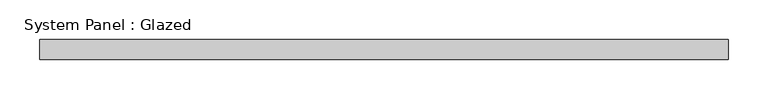
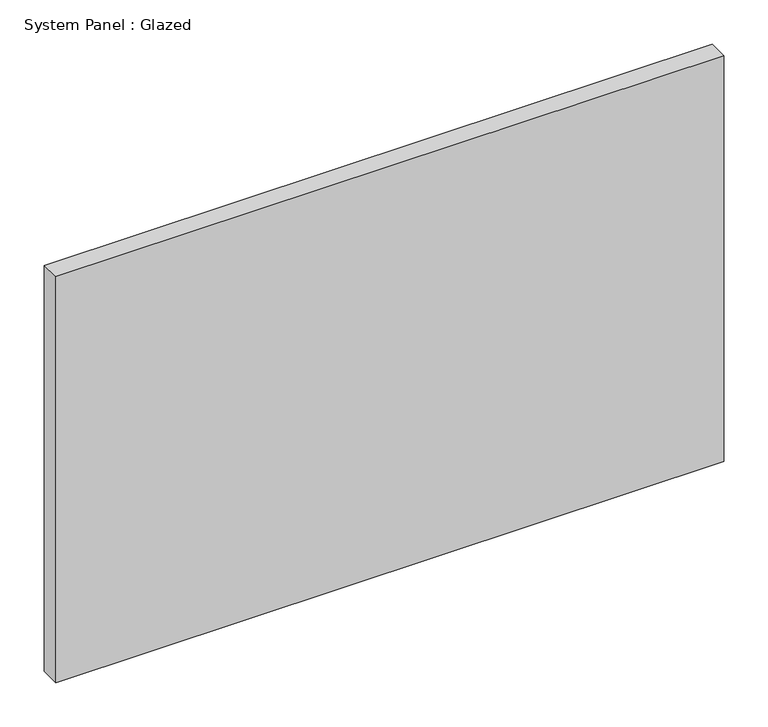
"""IFC4 building model written with IfcOpenShell, lengths in millimetres: plate geometry, System Panel : Glazed."""

import ifcopenshell
import ifcopenshell.guid

model = None  # the IFC model being written
_history = None  # IfcOwnerHistory: only IFC2X3 demands one
_inside = {}  # id of a spatial element -> (the spatial element, [elements in it])
_under = {}  # id of a project, library or spatial element -> (it, [spatial elements below it])
_declared = {}  # id of a project -> (the project, [libraries it declares])
_typed = {}  # id of a type object -> (the type object, [elements of that type])
_made_of = {}  # id of a material, layer set ... -> (it, [elements and type objects made of it])


def new_model(schema):
    """Start an empty IFC model of exactly this schema.

    Asked for "IFC4X3", IfcOpenShell would pick the latest addendum, in which some entities
    have other attributes; the version numbers below select the first issue.
    IFC2X3 requires an IfcOwnerHistory on every rooted entity: one is made here for all.
    """
    global model, _history
    if schema == "IFC4X3":
        model = ifcopenshell.file(schema_version=(4, 3, 0, 0))
    else:
        model = ifcopenshell.file(schema=schema)
    _inside.clear()
    _under.clear()
    _declared.clear()
    _typed.clear()
    _made_of.clear()
    _history = None
    if model.schema == "IFC2X3":
        org = make("IfcOrganization", Name="unknown")
        user = make(
            "IfcPersonAndOrganization",
            ThePerson=make("IfcPerson", FamilyName="unknown"),
            TheOrganization=org,
        )
        app = make(
            "IfcApplication",
            ApplicationDeveloper=org,
            Version="unknown",
            ApplicationFullName="unknown",
            ApplicationIdentifier="unknown",
        )
        _history = make(
            "IfcOwnerHistory",
            OwningUser=user,
            OwningApplication=app,
            ChangeAction="ADDED",
            CreationDate=0,
        )
    return model


def make(cls, **values):
    """One entity of the class cls with the attributes given. An attribute that is None is left unset."""
    return model.create_entity(
        cls, **{name: value for name, value in values.items() if value is not None}
    )


def rooted(cls, **values):
    """An entity with a GlobalId (a new one), such as an element, a storey or a relation."""
    return make(cls, GlobalId=ifcopenshell.guid.new(), OwnerHistory=_history, **values)


def si_unit(unit_type, name, prefix=None):
    """IfcSIUnit, for example si_unit("LENGTHUNIT", "METRE", prefix="MILLI")."""
    return make("IfcSIUnit", UnitType=unit_type, Prefix=prefix, Name=name)


def assignment(units):
    """IfcUnitAssignment: the units of a project."""
    return None if units is None else make("IfcUnitAssignment", Units=units)


def point(xyz):
    """IfcCartesianPoint."""
    return None if xyz is None else make("IfcCartesianPoint", Coordinates=xyz)


def direction(xyz):
    """IfcDirection."""
    return None if xyz is None else make("IfcDirection", DirectionRatios=xyz)


def frame(location, z_axis=None, x_axis=None):
    """IfcAxis2Placement3D, a coordinate frame: its origin and axes. An axis left out is left unset."""
    return make(
        "IfcAxis2Placement3D",
        Location=point(location),
        Axis=direction(z_axis),
        RefDirection=direction(x_axis),
    )


def origin():
    """The frame at (0, 0, 0) with its axes left unset."""
    return frame((0.0, 0.0, 0.0))


def origin_with_axes():
    """The frame at (0, 0, 0) with the z axis (0, 0, 1) and the x axis (1, 0, 0) written out."""
    return frame((0.0, 0.0, 0.0), z_axis=(0.0, 0.0, 1.0), x_axis=(1.0, 0.0, 0.0))


def place(relative_to, where):
    """IfcLocalPlacement: puts the frame where relative to a parent placement (None: the world)."""
    return make(
        "IfcLocalPlacement", PlacementRelTo=relative_to, RelativePlacement=where
    )


def context(
    kind, dimensions, precision=None, world=None, true_north=None, identifier=None
):
    """IfcGeometricRepresentationContext, for example the 3D "Model" context."""
    return make(
        "IfcGeometricRepresentationContext",
        ContextIdentifier=identifier,
        ContextType=kind,
        CoordinateSpaceDimension=dimensions,
        Precision=precision,
        WorldCoordinateSystem=world,
        TrueNorth=true_north,
    )


def project(units=None, contexts=None):
    """IfcProject with its units and contexts."""
    return rooted(
        "IfcProject",
        Name="project",
        RepresentationContexts=contexts,
        UnitsInContext=assignment(units),
    )


def spatial(cls, under=None, at=None, **own):
    """A site, building, storey or space (cls), placed at a placement, below another one or the project."""
    s = rooted(cls, ObjectPlacement=at, **own)
    if under is not None:
        _under.setdefault(under.id(), (under, []))[1].append(s)
    return s


def polyline(points):
    """IfcPolyline through the points."""
    return make("IfcPolyline", Points=[point(p) for p in points])


def outline(outer, holes=None, kind="AREA"):
    """IfcArbitraryClosedProfileDef: a profile drawn as a closed curve; with holes, ...WithVoids."""
    if holes is None:
        return make("IfcArbitraryClosedProfileDef", ProfileType=kind, OuterCurve=outer)
    return make(
        "IfcArbitraryProfileDefWithVoids",
        ProfileType=kind,
        OuterCurve=outer,
        InnerCurves=holes,
    )


def extrude(swept, where, along, depth):
    """IfcExtrudedAreaSolid: the profile swept, set in the frame where, extruded along a direction by depth."""
    return make(
        "IfcExtrudedAreaSolid",
        SweptArea=swept,
        Position=where,
        ExtrudedDirection=direction(along),
        Depth=depth,
    )


def shape(context_of_items, identifier, shape_type, items):
    """IfcShapeRepresentation: the items that make up one representation, for example the "Body"."""
    return make(
        "IfcShapeRepresentation",
        ContextOfItems=context_of_items,
        RepresentationIdentifier=identifier,
        RepresentationType=shape_type,
        Items=items,
    )


def source(mapping_origin, context_of_items, identifier, shape_type, items):
    """IfcRepresentationMap: a shape defined once, which mapped items show again and again."""
    return make(
        "IfcRepresentationMap",
        MappingOrigin=mapping_origin,
        MappedRepresentation=shape(context_of_items, identifier, shape_type, items),
    )


def transform(
    local_origin,
    x_axis=None,
    y_axis=None,
    z_axis=None,
    scale=None,
    scale2=None,
    scale3=None,
    uniform=True,
):
    """IfcCartesianTransformationOperator3D, or its non-uniform kind. x_axis, y_axis, z_axis: its Axis1, 2, 3."""
    if uniform:
        return make(
            "IfcCartesianTransformationOperator3D",
            Axis1=direction(x_axis),
            Axis2=direction(y_axis),
            LocalOrigin=point(local_origin),
            Scale=scale,
            Axis3=direction(z_axis),
        )
    return make(
        "IfcCartesianTransformationOperator3DnonUniform",
        Axis1=direction(x_axis),
        Axis2=direction(y_axis),
        LocalOrigin=point(local_origin),
        Scale=scale,
        Axis3=direction(z_axis),
        Scale2=scale2,
        Scale3=scale3,
    )


def mapped(mapping_source, mapping_target):
    """IfcMappedItem: shows the shape of a source again, moved by a transform."""
    return make(
        "IfcMappedItem", MappingSource=mapping_source, MappingTarget=mapping_target
    )


def made_of(thing, what):
    """Note that an element or type object is made of a material, layer set ...; save() writes the relation."""
    if what is not None:
        _made_of.setdefault(what.id(), (what, []))[1].append(thing)
    return thing


def element(
    cls,
    number,
    at=None,
    inside=None,
    cuts=None,
    type_object=None,
    material=None,
    context=None,
    identifier="Body",
    shape_type=None,
    held_by="IfcProductDefinitionShape",
    body=None,
    shapes=None,
    **own,
):
    """One element of the class cls, such as IfcWall. Its Tag is "e" and its number.

    at: its placement. inside: the storey or other place that contains it. cuts: it is an
    opening in that element (IfcRelVoidsElement). A single representation is given by context,
    identifier, shape_type and body (its items); several are given by shapes. held_by: the class
    of the entity that holds the representations. save() writes the other relations.
    """
    e = rooted(cls, Tag="e%d" % number, ObjectPlacement=at, **own)
    if body is not None:
        shapes = [shape(context, identifier, shape_type, body)]
    if shapes is not None:
        e.Representation = make(held_by, Representations=shapes)
    if inside is not None:
        _inside.setdefault(inside.id(), (inside, []))[1].append(e)
    if cuts is not None:
        rooted(
            "IfcRelVoidsElement", RelatingBuildingElement=cuts, RelatedOpeningElement=e
        )
    if type_object is not None:
        _typed.setdefault(type_object.id(), (type_object, []))[1].append(e)
    return made_of(e, material)


def aggregate(whole, parts):
    """IfcRelAggregates: a whole, such as a stair, and the parts it consists of."""
    return rooted("IfcRelAggregates", RelatingObject=whole, RelatedObjects=parts)


def save(model, path):
    """Write the relations noted so far, then the file.

    IfcRelAggregates (storeys below a building ...), IfcRelContainedInSpatialStructure (elements
    in a storey), IfcRelDefinesByType, IfcRelAssociatesMaterial and IfcRelDeclares: one each for
    every whole, place, type object, material and project.
    """
    for whole, parts in _under.values():
        aggregate(whole, parts)
    for where, things in _inside.values():
        rooted(
            "IfcRelContainedInSpatialStructure",
            RelatedElements=things,
            RelatingStructure=where,
        )
    for kind, things in _typed.values():
        rooted("IfcRelDefinesByType", RelatedObjects=things, RelatingType=kind)
    for what, things in _made_of.values():
        rooted("IfcRelAssociatesMaterial", RelatedObjects=things, RelatingMaterial=what)
    for by, libraries in _declared.values():
        rooted("IfcRelDeclares", RelatingContext=by, RelatedDefinitions=libraries)
    model.write(path)


def system_panel_glazed_5d0782ec(model_context):
    return source(origin(), model_context, "Body", "SweptSolid", [
        extrude(outline(polyline([(434.5584611, -12.7), (-434.5584611, -12.7), (-434.5584611, 12.7), (434.5584611, 12.7), (434.5584611, -12.7)])), origin_with_axes(), (0.0, 0.0, 1.0), 558.8),
    ])


if __name__ == "__main__":
    model = new_model("IFC4")
    model_context = context("Model", 3, world=origin())
    ifc_project = project(units=[si_unit("LENGTHUNIT", "METRE", prefix="MILLI")], contexts=[model_context])
    site = spatial("IfcSite", under=ifc_project)
    building = spatial("IfcBuilding", under=site)
    placement = place(None, origin())
    system_panel_glazed_shape = system_panel_glazed_5d0782ec(model_context)
    element("IfcPlate", 1, ObjectType="System Panel : Glazed", at=placement, inside=building, context=model_context, shape_type="MappedRepresentation", body=[
        mapped(system_panel_glazed_shape, transform((0.0, 0.0, 0.0), x_axis=(1.0, 0.0, 0.0), y_axis=(0.0, 1.0, 0.0), z_axis=(0.0, 0.0, 1.0))),
    ])
    save(model, "model.ifc")
